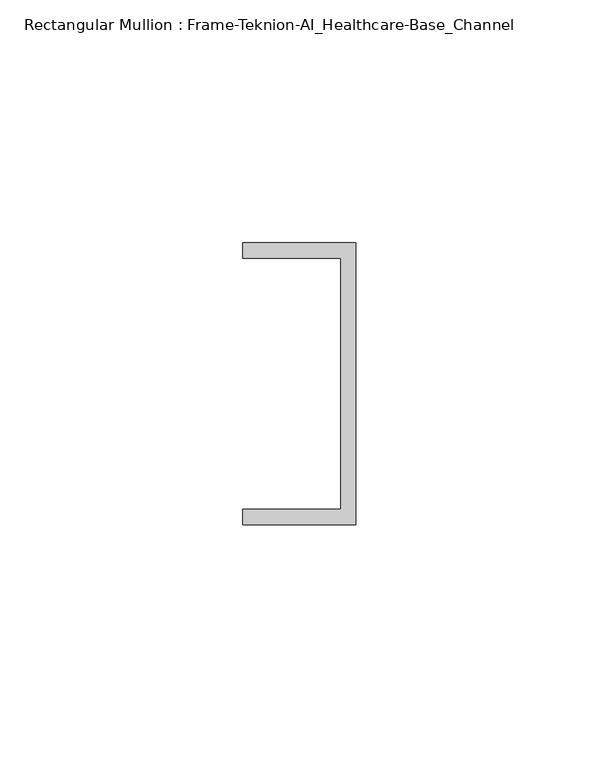
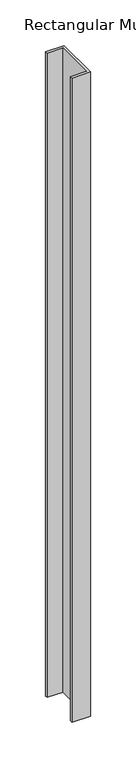
"""IFC4 building model written with IfcOpenShell, lengths in millimetres: member geometry, Rectangular Mullion : Frame-Teknion-AI_Healthcare-Base_Channel."""

from ifc_helpers import new_model, si_unit, frame, origin, place, context, project, spatial, polyline, outline, extrude, source, transform, mapped, element, save


def rectangular_mullion_frame_teknion_ai_healthcare_base_channel_e4ae20ec(model_context):
    return source(origin(), model_context, "Body", "SweptSolid", [
        extrude(outline(polyline([(0.0, -29.0214844), (-23.3164063, -29.0214844), (-23.3164063, -25.8464844), (-3.175, -25.8464844), (-3.175, 25.8464844), (-23.3164063, 25.8464844), (-23.3164063, 29.0214844), (0.0, 29.0214844), (0.0, -29.0214844)])), frame((0.0, 0.0, -861.4210245), z_axis=(0.0, 0.0, 1.0), x_axis=(1.0, 0.0, 0.0)), (0.0, 0.0, 1.0), 861.4210245),
    ])


if __name__ == "__main__":
    model = new_model("IFC4")
    model_context = context("Model", 3, world=origin())
    ifc_project = project(units=[si_unit("LENGTHUNIT", "METRE", prefix="MILLI")], contexts=[model_context])
    site = spatial("IfcSite", under=ifc_project)
    building = spatial("IfcBuilding", under=site)
    placement = place(None, origin())
    rectangular_mullion_frame_teknion_ai_healthcare_base_channel_shape = rectangular_mullion_frame_teknion_ai_healthcare_base_channel_e4ae20ec(model_context)
    element("IfcMember", 1, ObjectType="Rectangular Mullion : Frame-Teknion-AI_Healthcare-Base_Channel", at=placement, inside=building, context=model_context, shape_type="MappedRepresentation", body=[
        mapped(rectangular_mullion_frame_teknion_ai_healthcare_base_channel_shape, transform((0.0, 0.0, 0.0), x_axis=(1.0, 0.0, 0.0), y_axis=(0.0, 1.0, 0.0), z_axis=(0.0, 0.0, 1.0))),
    ])
    save(model, "model.ifc")
